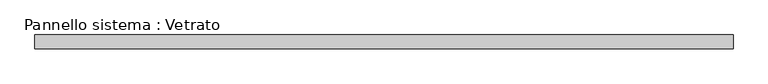
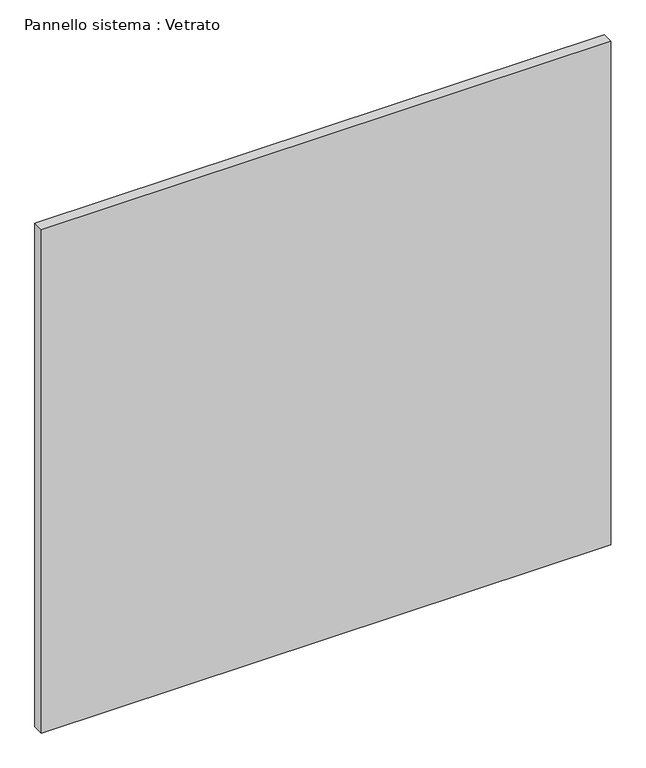
"""IFC4 building model written with IfcOpenShell, lengths in millimetres: plate geometry, Pannello sistema : Vetrato."""

from ifc_helpers import new_model, si_unit, origin, origin_with_axes, place, context, project, spatial, polyline, outline, extrude, source, transform, mapped, element, save


def pannello_sistema_vetrato_39857952(model_context):
    return source(origin(), model_context, "Body", "SweptSolid", [
        extrude(outline(polyline([(762.5, -15.0), (-762.5, -15.0), (-762.5, 15.0), (762.5, 15.0), (762.5, -15.0)])), origin_with_axes(), (0.0, 0.0, 1.0), 1425.0),
    ])


if __name__ == "__main__":
    model = new_model("IFC4")
    model_context = context("Model", 3, world=origin())
    ifc_project = project(units=[si_unit("LENGTHUNIT", "METRE", prefix="MILLI")], contexts=[model_context])
    site = spatial("IfcSite", under=ifc_project)
    building = spatial("IfcBuilding", under=site)
    placement = place(None, origin())
    pannello_sistema_vetrato_shape = pannello_sistema_vetrato_39857952(model_context)
    element("IfcPlate", 1, ObjectType="Pannello sistema : Vetrato", at=placement, inside=building, context=model_context, shape_type="MappedRepresentation", body=[
        mapped(pannello_sistema_vetrato_shape, transform((0.0, 0.0, 0.0), x_axis=(1.0, 0.0, 0.0), y_axis=(0.0, 1.0, 0.0), z_axis=(0.0, 0.0, 1.0))),
    ])
    save(model, "model.ifc")
